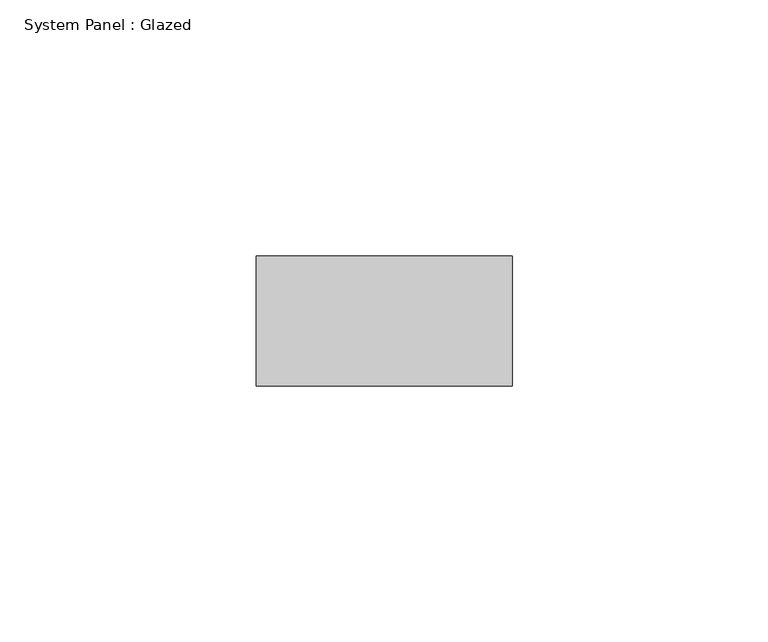
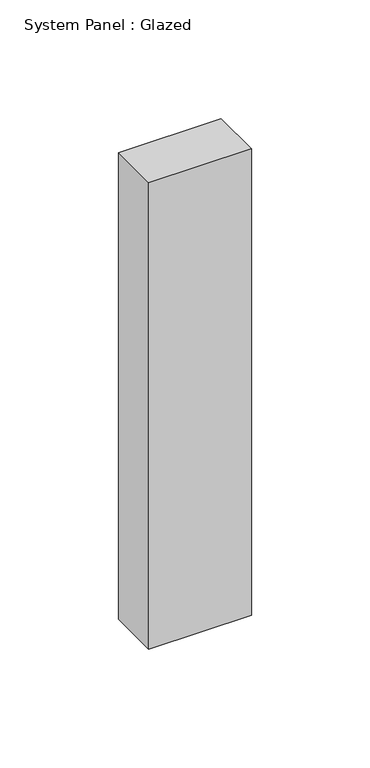
"""IFC4 building model written with IfcOpenShell, lengths in millimetres: plate geometry, System Panel : Glazed."""

from ifc_helpers import new_model, si_unit, origin, origin_with_axes, place, context, project, spatial, polyline, outline, extrude, source, transform, mapped, element, save


def system_panel_glazed_93b42f41(model_context):
    return source(origin(), model_context, "Body", "SweptSolid", [
        extrude(outline(polyline([(25.0, 19.05), (-25.0, 19.05), (-25.0, 44.45), (25.0, 44.45), (25.0, 19.05)])), origin_with_axes(), (0.0, 0.0, 1.0), 240.0),
    ])


if __name__ == "__main__":
    model = new_model("IFC4")
    model_context = context("Model", 3, world=origin())
    ifc_project = project(units=[si_unit("LENGTHUNIT", "METRE", prefix="MILLI")], contexts=[model_context])
    site = spatial("IfcSite", under=ifc_project)
    building = spatial("IfcBuilding", under=site)
    placement = place(None, origin())
    system_panel_glazed_shape = system_panel_glazed_93b42f41(model_context)
    element("IfcPlate", 1, ObjectType="System Panel : Glazed", at=placement, inside=building, context=model_context, shape_type="MappedRepresentation", body=[
        mapped(system_panel_glazed_shape, transform((0.0, 0.0, 0.0), x_axis=(1.0, 0.0, 0.0), y_axis=(0.0, 1.0, 0.0), z_axis=(0.0, 0.0, 1.0))),
    ])
    save(model, "model.ifc")
